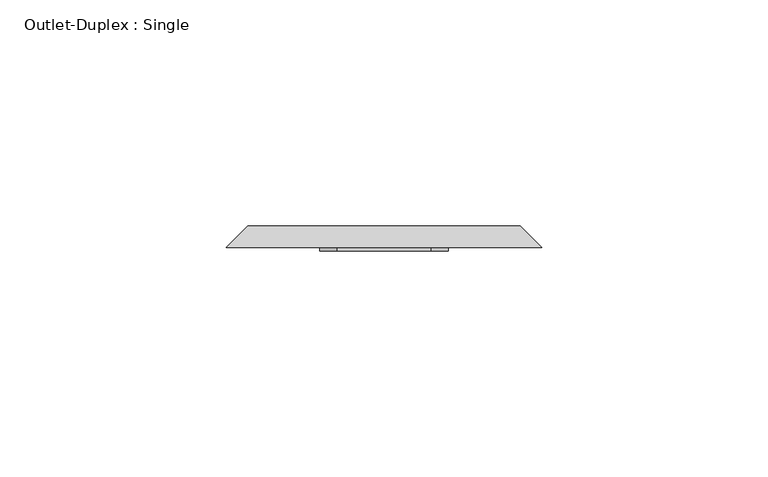
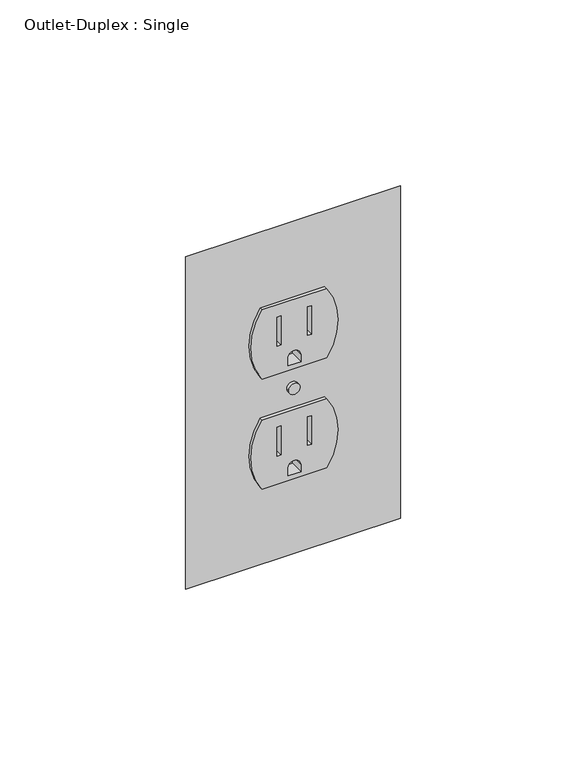
"""IFC4 building model written with IfcOpenShell, lengths in millimetres: proxy geometry, Outlet-Duplex : Single."""

from ifc_helpers import new_model, si_unit, point, frame, frame_2d, origin, place, context, project, spatial, polyline, circle_curve, trimmed, segment, composite_curve, outline, extrude, source, transform, mapped, element, save
from ifc_brep_helpers import plane_surface, revolved_surface, advanced_brep


def outlet_duplex_single_bc58179f(model_context):
    return source(origin(), model_context, "Body", "SolidModel", [
        extrude(outline(composite_curve([segment(polyline([(273.9614857, -10.4931617), (273.9614857, 10.4931617)]), True, "CONTINUOUS"), segment(trimmed(circle_curve(frame_2d((285.8677357, -6.8576098)), 21.043005), [point((273.9614857, 10.4931617))], [point((297.7739857, 10.4931617))], False, "CARTESIAN"), True, "CONTINUOUS"), segment(polyline([(297.7739857, 10.4931617), (297.7739857, -10.4931617)]), True, "CONTINUOUS"), segment(trimmed(circle_curve(frame_2d((285.8677357, 6.8576098)), 21.043005), [point((297.7739857, -10.4931617))], [point((273.9614857, -10.4931617))], False, "CARTESIAN"), True, "CONTINUOUS")], self_intersect=False), holes=[polyline([(283.8450983, 5.6261139), (283.8450983, 4.3502847), (293.6358342, 4.3502847), (293.6358342, 5.6261139), (283.8450983, 5.6261139)]), polyline([(283.6466608, -5.6261139), (293.6358342, -5.6261139), (293.6358342, -4.3502847), (283.6466608, -4.3502847), (283.6466608, -5.6261139)]), composite_curve([segment(polyline([(275.5679027, 2.0747584), (275.5679027, -2.0747584), (278.0820784, -2.0747584)]), True, "CONTINUOUS"), segment(trimmed(circle_curve(frame_2d((278.0820784, 0.0)), 2.0747584), [point((278.0820784, -2.0747584))], [point((278.0820784, 2.0747584))], True, "CARTESIAN"), True, "CONTINUOUS"), segment(polyline([(278.0820784, 2.0747584), (275.5679027, 2.0747584)]), True, "CONTINUOUS")], self_intersect=False)]), frame((0.0, 62.7018591, 0.0), z_axis=(0.0, 1.0, 0.0), x_axis=(0.0, 0.0, 1.0)), (0.0, 0.0, 1.0), 4.7441942),
        extrude(outline(composite_curve([segment(trimmed(circle_curve(frame_2d((323.7322643, 6.8576098)), 21.043005), [point((335.6385143, -10.4931617))], [point((311.8260143, -10.4931617))], False, "CARTESIAN"), True, "CONTINUOUS"), segment(polyline([(311.8260143, -10.4931617), (311.8260143, 10.4931617)]), True, "CONTINUOUS"), segment(trimmed(circle_curve(frame_2d((323.7322643, -6.8576098)), 21.043005), [point((311.8260143, 10.4931617))], [point((335.6385143, 10.4931617))], False, "CARTESIAN"), True, "CONTINUOUS"), segment(polyline([(335.6385143, 10.4931617), (335.6385143, -10.4931617)]), True, "CONTINUOUS")], self_intersect=False), holes=[polyline([(321.709627, 5.6261139), (321.709627, 4.3502847), (331.5003629, 4.3502847), (331.5003629, 5.6261139), (321.709627, 5.6261139)]), polyline([(321.5111895, -5.6261139), (331.5003629, -5.6261139), (331.5003629, -4.3502847), (321.5111895, -4.3502847), (321.5111895, -5.6261139)]), composite_curve([segment(polyline([(313.4324314, 2.0747584), (313.4324314, -2.0747584), (315.9466071, -2.0747584)]), True, "CONTINUOUS"), segment(trimmed(circle_curve(frame_2d((315.9466071, 0.0)), 2.0747584), [point((315.9466071, -2.0747584))], [point((315.9466071, 2.0747584))], True, "CARTESIAN"), True, "CONTINUOUS"), segment(polyline([(315.9466071, 2.0747584), (313.4324314, 2.0747584)]), True, "CONTINUOUS")], self_intersect=False)]), frame((0.0, 62.7018591, 0.0), z_axis=(0.0, 1.0, 0.0), x_axis=(0.0, 0.0, 1.0)), (0.0, 0.0, 1.0), 4.7441942),
        extrude(outline(composite_curve([segment(trimmed(circle_curve(frame_2d((304.8, 0.0)), 1.8474562), [point((304.8, -1.8474562))], [point((304.8, 1.8474562))], False, "CARTESIAN"), True, "CONTINUOUS"), segment(trimmed(circle_curve(frame_2d((304.8, 0.0)), 1.8474562), [point((304.8, 1.8474562))], [point((304.8, -1.8474562))], False, "CARTESIAN"), True, "CONTINUOUS")], self_intersect=False)), frame((0.0, 62.7018591, 0.0), z_axis=(0.0, 1.0, 0.0), x_axis=(0.0, 0.0, 1.0)), (0.0, 0.0, 1.0), 4.7441942),
        advanced_brep(
        [(-30.1625, 68.2625, 357.1875), (30.1625, 68.2625, 357.1875), (30.1625, 68.2625, 252.4125), (-30.1625, 68.2625, 252.4125), (10.4931617, 68.2625, 311.8260143), (10.4931617, 68.2625, 335.6385143), (-10.4931617, 68.2625, 335.6385143), (-10.4931617, 68.2625, 311.8260143), (-10.4931617, 68.2625, 297.7739857), (-10.4931617, 68.2625, 273.9614857), (10.4931617, 68.2625, 273.9614857), (10.4931617, 68.2625, 297.7739857), (1.8474562, 68.2625, 304.8), (-1.8474562, 68.2625, 304.8), (-34.925, 63.5, 361.95), (-34.925, 63.5, 247.65), (34.925, 63.5, 247.65), (34.925, 63.5, 361.95), (10.4931617, 63.5, 335.6385143), (10.4931617, 63.5, 311.8260143), (-10.4931617, 63.5, 311.8260143), (-10.4931617, 63.5, 335.6385143), (-10.4931617, 63.5, 273.9614857), (-10.4931617, 63.5, 297.7739857), (10.4931617, 63.5, 297.7739857), (10.4931617, 63.5, 273.9614857), (-1.8474562, 63.5, 304.8), (1.8474562, 63.5, 304.8)],
        [
            (0, 1),
            (1, 2),
            (2, 3),
            (3, 0),
            (4, 5, circle_curve(frame((-6.8576098, 68.2625, 323.7322643), z_axis=(0.0, -1.0, 0.0), x_axis=(1.0, 0.0, 0.0)), 21.043005)),
            (5, 6),
            (6, 7, circle_curve(frame((6.8576098, 68.2625, 323.7322643), z_axis=(0.0, -1.0, 0.0), x_axis=(1.0, 0.0, 0.0)), 21.043005)),
            (7, 4),
            (8, 9, circle_curve(frame((6.8576098, 68.2625, 285.8677357), z_axis=(0.0, -1.0, 0.0), x_axis=(1.0, 0.0, 0.0)), 21.043005)),
            (9, 10),
            (10, 11, circle_curve(frame((-6.8576098, 68.2625, 285.8677357), z_axis=(0.0, -1.0, 0.0), x_axis=(1.0, 0.0, 0.0)), 21.043005)),
            (11, 8),
            (12, 13, circle_curve(frame((0.0, 68.2625, 304.8), z_axis=(0.0, -1.0, 0.0), x_axis=(1.0, 0.0, 0.0)), 1.8474562)),
            (13, 12, circle_curve(frame((0.0, 68.2625, 304.8), z_axis=(0.0, -1.0, 0.0), x_axis=(1.0, 0.0, 0.0)), 1.8474562)),
            (14, 15),
            (15, 16),
            (16, 17),
            (17, 14),
            (18, 19, circle_curve(frame((-6.8576098, 63.5, 323.7322643), z_axis=(0.0, 1.0, 0.0), x_axis=(1.0, 0.0, 0.0)), 21.043005)),
            (19, 20),
            (20, 21, circle_curve(frame((6.8576098, 63.5, 323.7322643), z_axis=(0.0, 1.0, 0.0), x_axis=(1.0, 0.0, 0.0)), 21.043005)),
            (21, 18),
            (22, 23, circle_curve(frame((6.8576098, 63.5, 285.8677357), z_axis=(0.0, 1.0, 0.0), x_axis=(1.0, 0.0, 0.0)), 21.043005)),
            (23, 24),
            (24, 25, circle_curve(frame((-6.8576098, 63.5, 285.8677357), z_axis=(0.0, 1.0, 0.0), x_axis=(1.0, 0.0, 0.0)), 21.043005)),
            (25, 22),
            (26, 27, circle_curve(frame((0.0, 63.5, 304.8), z_axis=(0.0, 1.0, 0.0), x_axis=(1.0, 0.0, 0.0)), 1.8474562)),
            (27, 26, circle_curve(frame((0.0, 63.5, 304.8), z_axis=(0.0, 1.0, 0.0), x_axis=(1.0, 0.0, 0.0)), 1.8474562)),
            (0, 14),
            (17, 1),
            (16, 2),
            (15, 3),
            (4, 19),
            (18, 5),
            (21, 6),
            (20, 7),
            (8, 23),
            (22, 9),
            (25, 10),
            (24, 11),
            (12, 27),
            (26, 13),
        ],
        [
            plane_surface(frame((0.0, 68.2625, 304.8), z_axis=(0.0, 1.0, 0.0), x_axis=(0.0, 0.0, -1.0))),
            plane_surface(frame((0.0, 63.5, 304.8), z_axis=(0.0, -1.0, 0.0), x_axis=(0.0, 0.0, -1.0))),
            plane_surface(frame((0.0, 63.5, 361.95), z_axis=(0.0, 0.7071067811867159, 0.7071067811863793), x_axis=(1.0, 0.0, 0.0))),
            plane_surface(frame((34.925, 63.5, 304.8), z_axis=(0.7071067811863626, 0.7071067811867324, 0.0), x_axis=(0.0, 0.0, -1.0))),
            plane_surface(frame((0.0, 63.5, 247.65), z_axis=(0.0, 0.7071067811867585, -0.7071067811863365), x_axis=(-1.0, 0.0, 0.0))),
            plane_surface(frame((-34.925, 63.5, 304.8), z_axis=(-0.7071067811862254, 0.7071067811868696, 0.0), x_axis=(0.0, 0.0, 1.0))),
            revolved_surface(polyline([(14.185395200000002, 63.5, 323.7322643), (14.185395200000002, 68.2625, 323.7322643)]), (-6.8576098, 114.284307, 323.7322643), (0.0, -1.0, 0.0)),
            plane_surface(frame((10.4931617, -236.5375, 335.6385143), z_axis=(0.0, 0.0, -1.0), x_axis=(0.0, 1.0, 0.0))),
            revolved_surface(polyline([(27.9006148, 63.5, 323.7322643), (27.9006148, 68.2625, 323.7322643)]), (6.8576098, 114.284307, 323.7322643), (0.0, -1.0, 0.0)),
            plane_surface(frame((-10.4931617, -236.5375, 311.8260143), z_axis=(0.0, 0.0, 1.0), x_axis=(0.0, 1.0, 0.0))),
            revolved_surface(polyline([(27.9006148, 63.5, 285.8677357), (27.9006148, 68.2625, 285.8677357)]), (6.8576098, 68.2625, 285.8677357), (0.0, -1.0, 0.0)),
            plane_surface(frame((-10.4931617, -236.5375, 273.9614857), z_axis=(0.0, 0.0, 1.0), x_axis=(0.0, 1.0, 0.0))),
            revolved_surface(polyline([(14.185395200000002, 63.5, 285.8677357), (14.185395200000002, 68.2625, 285.8677357)]), (-6.8576098, 68.2625, 285.8677357), (0.0, -1.0, 0.0)),
            plane_surface(frame((10.4931617, -236.5375, 297.7739857), z_axis=(0.0, 0.0, -1.0), x_axis=(0.0, 1.0, 0.0))),
            revolved_surface(polyline([(1.8474562, 63.5, 304.8), (1.8474562, 68.2625, 304.8)]), (0.0, 68.2625, 304.8), (0.0, -1.0, 0.0)),
        ],
        [
            (0, [[1, 2, 3, 4], [5, 6, 7, 8], [9, 10, 11, 12], [13, 14]]),
            (1, [[15, 16, 17, 18], [19, 20, 21, 22], [23, 24, 25, 26], [27, 28]]),
            (2, [[-1, 29, -18, 30]]),
            (3, [[-2, -30, -17, 31]]),
            (4, [[-3, -31, -16, 32]]),
            (5, [[-4, -32, -15, -29]]),
            (6, [[33, -19, 34, -5]]),
            (7, [[-34, -22, 35, -6]]),
            (8, [[-35, -21, 36, -7]]),
            (9, [[-33, -8, -36, -20]]),
            (10, [[37, -23, 38, -9]]),
            (11, [[-38, -26, 39, -10]]),
            (12, [[-39, -25, 40, -11]]),
            (13, [[-37, -12, -40, -24]]),
            (14, [[41, -27, 42, -13]]),
            (14, [[-41, -14, -42, -28]]),
        ],
    ),
    ])


if __name__ == "__main__":
    model = new_model("IFC4")
    model_context = context("Model", 3, world=origin())
    ifc_project = project(units=[si_unit("LENGTHUNIT", "METRE", prefix="MILLI")], contexts=[model_context])
    site = spatial("IfcSite", under=ifc_project)
    building = spatial("IfcBuilding", under=site)
    placement = place(None, origin())
    outlet_duplex_single_shape = outlet_duplex_single_bc58179f(model_context)
    element("IfcBuildingElementProxy", 1, Name="Outlet-Duplex : Single", ObjectType="Outlet-Duplex : Single", at=placement, inside=building, context=model_context, shape_type="MappedRepresentation", body=[
        mapped(outlet_duplex_single_shape, transform((0.0, 0.0, 0.0), x_axis=(1.0, 0.0, 0.0), y_axis=(0.0, 1.0, 0.0), z_axis=(0.0, 0.0, 1.0))),
    ])
    save(model, "model.ifc")
